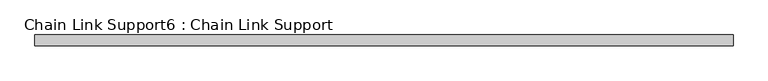
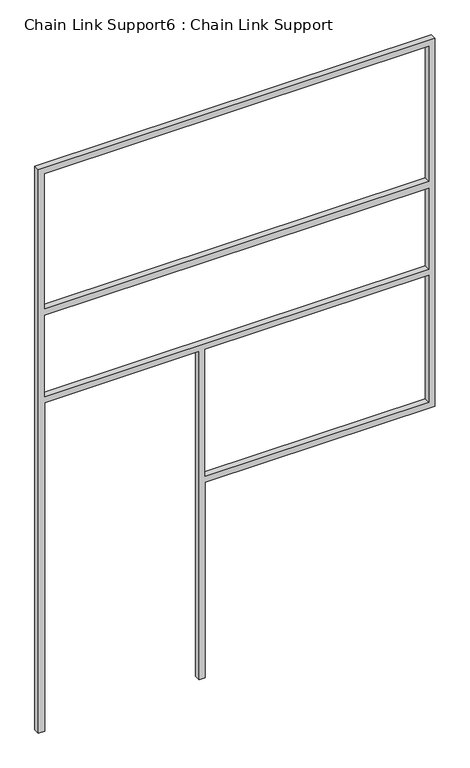
"""IFC4 building model written with IfcOpenShell, lengths in millimetres: proxy geometry, Chain Link Support6 : Chain Link Support."""

from ifc_helpers import new_model, si_unit, frame, origin, place, context, project, spatial, polyline, outline, extrude, source, transform, mapped, element, save


def chain_link_support6_chain_link_support_02444757(model_context):
    return source(origin(), model_context, "Body", "SweptSolid", [
        extrude(outline(polyline([(3657.6, -29964.4368371), (0.0, -29964.4368371), (0.0, -29926.3368371), (2133.6, -29926.3368371), (2133.6, -28977.0118371), (0.0, -28977.0118371), (0.0, -28938.9118371), (1270.0, -28938.9118371), (1270.0, -27526.0368371), (3657.6, -27526.0368371), (3657.6, -29964.4368371)]), holes=[polyline([(2743.2, -29926.3368371), (3619.5, -29926.3368371), (3619.5, -27564.1368371), (2743.2, -27564.1368371), (2743.2, -29926.3368371)]), polyline([(1308.1, -27564.1368371), (1308.1, -28938.9118371), (2133.6, -28938.9118371), (2133.6, -27564.1368371), (1308.1, -27564.1368371)]), polyline([(2171.7, -29926.3368371), (2698.75, -29926.3368371), (2698.75, -27564.1368371), (2171.7, -27564.1368371), (2171.7, -29926.3368371)])]), frame((0.0, 738.9021235, 0.0), z_axis=(0.0, 1.0, 0.0), x_axis=(0.0, 0.0, 1.0)), (0.0, 0.0, 1.0), 38.1),
    ])


if __name__ == "__main__":
    model = new_model("IFC4")
    model_context = context("Model", 3, world=origin())
    ifc_project = project(units=[si_unit("LENGTHUNIT", "METRE", prefix="MILLI")], contexts=[model_context])
    site = spatial("IfcSite", under=ifc_project)
    building = spatial("IfcBuilding", under=site)
    placement = place(None, origin())
    chain_link_support6_chain_link_support_shape = chain_link_support6_chain_link_support_02444757(model_context)
    element("IfcBuildingElementProxy", 1, Name="Chain Link Support6 : Chain Link Support", ObjectType="Chain Link Support6 : Chain Link Support", at=placement, inside=building, context=model_context, shape_type="MappedRepresentation", body=[
        mapped(chain_link_support6_chain_link_support_shape, transform((0.0, 0.0, 0.0), x_axis=(1.0, 0.0, 0.0), y_axis=(0.0, 1.0, 0.0), z_axis=(0.0, 0.0, 1.0))),
    ])
    save(model, "model.ifc")
